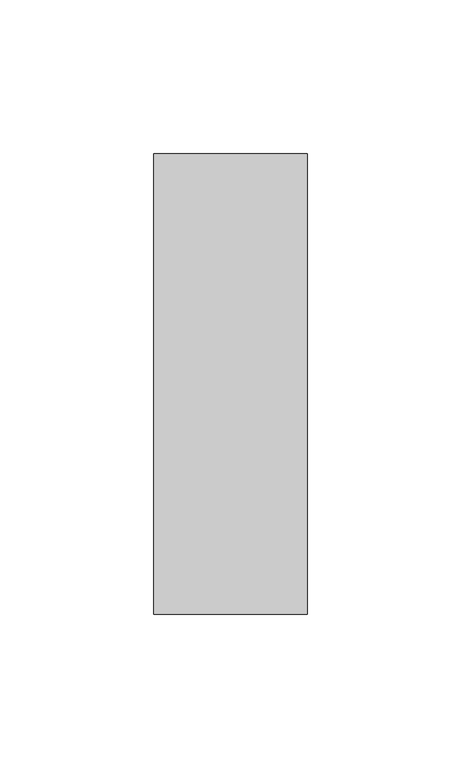
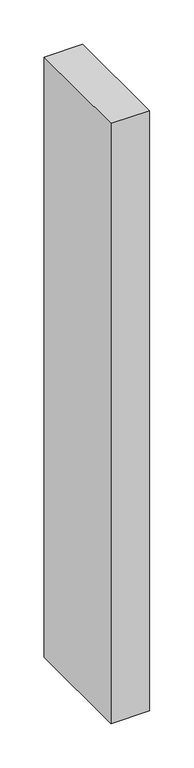
"""IFC4 building model written with IfcOpenShell, lengths in millimetres: member geometry."""

from ifc_helpers import new_model, si_unit, frame, origin, place, context, project, spatial, polyline, outline, extrude, source, transform, mapped, element, save


def member_c7e1fe4c(model_context):
    return source(origin(), model_context, "Body", "SweptSolid", [
        extrude(outline(polyline([(25.0, 75.0), (25.0, -75.0), (-25.0, -75.0), (-25.0, 75.0), (25.0, 75.0)])), frame((0.0, 0.0, -823.8948055), z_axis=(0.0, 0.0, 1.0), x_axis=(1.0, 0.0, 0.0)), (0.0, 0.0, 1.0), 823.8948055),
    ])


if __name__ == "__main__":
    model = new_model("IFC4")
    model_context = context("Model", 3, world=origin())
    ifc_project = project(units=[si_unit("LENGTHUNIT", "METRE", prefix="MILLI")], contexts=[model_context])
    site = spatial("IfcSite", under=ifc_project)
    building = spatial("IfcBuilding", under=site)
    placement = place(None, origin())
    member_shape = member_c7e1fe4c(model_context)
    element("IfcMember", 1, at=placement, inside=building, context=model_context, shape_type="MappedRepresentation", body=[
        mapped(member_shape, transform((0.0, 0.0, 0.0), x_axis=(1.0, 0.0, 0.0), y_axis=(0.0, 1.0, 0.0), z_axis=(0.0, 0.0, 1.0))),
    ])
    save(model, "model.ifc")
